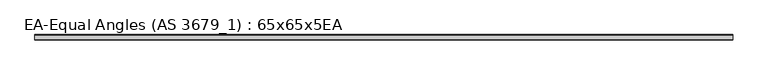
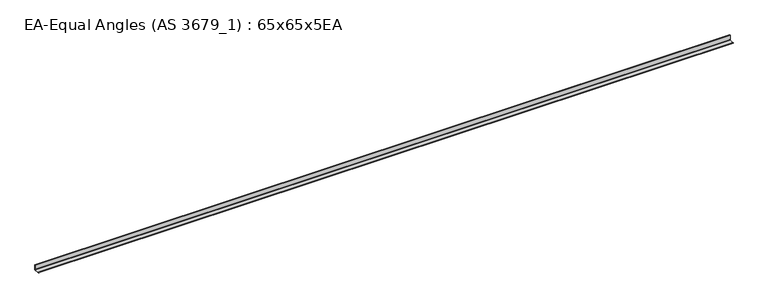
"""IFC4 building model written with IfcOpenShell, lengths in millimetres: beam geometry, EA-Equal Angles (AS 3679_1) : 65x65x5EA."""

from ifc_helpers import new_model, si_unit, point, frame, frame_2d, origin, place, context, project, spatial, polyline, circle_curve, trimmed, segment, composite_curve, outline, extrude, source, transform, mapped, element, save


def ea_equal_angles_as_3679_1_65x65x5ea_a92eaa41(model_context):
    return source(origin(), model_context, "Body", "SweptSolid", [
        extrude(outline(composite_curve([segment(polyline([(17.7, -17.7), (-47.3, -17.7), (-47.3, -15.7)]), True, "CONTINUOUS"), segment(trimmed(circle_curve(frame_2d((-44.3, -15.7)), 3.0), [point((-47.3, -15.7))], [point((-44.3, -12.7))], False, "CARTESIAN"), True, "CONTINUOUS"), segment(polyline([(-44.3, -12.7), (6.7, -12.7)]), True, "CONTINUOUS"), segment(trimmed(circle_curve(frame_2d((6.7, -6.7)), 6.0), [point((6.7, -12.7))], [point((12.7, -6.7))], True, "CARTESIAN"), True, "CONTINUOUS"), segment(polyline([(12.7, -6.7), (12.7, 44.3)]), True, "CONTINUOUS"), segment(trimmed(circle_curve(frame_2d((15.7, 44.3)), 3.0), [point((12.7, 44.3))], [point((15.7, 47.3))], False, "CARTESIAN"), True, "CONTINUOUS"), segment(polyline([(15.7, 47.3), (17.7, 47.3), (17.7, -17.7)]), True, "CONTINUOUS")], self_intersect=False)), frame((-4090.1, 0.0, 0.0), z_axis=(1.0, 0.0, 0.0), x_axis=(0.0, 1.0, 0.0)), (0.0, 0.0, 1.0), 8166.2),
    ])


if __name__ == "__main__":
    model = new_model("IFC4")
    model_context = context("Model", 3, world=origin())
    ifc_project = project(units=[si_unit("LENGTHUNIT", "METRE", prefix="MILLI")], contexts=[model_context])
    site = spatial("IfcSite", under=ifc_project)
    building = spatial("IfcBuilding", under=site)
    placement = place(None, origin())
    ea_equal_angles_as_3679_1_65x65x5ea_shape = ea_equal_angles_as_3679_1_65x65x5ea_a92eaa41(model_context)
    element("IfcBeam", 1, ObjectType="EA-Equal Angles (AS 3679_1) : 65x65x5EA", at=placement, inside=building, context=model_context, shape_type="MappedRepresentation", body=[
        mapped(ea_equal_angles_as_3679_1_65x65x5ea_shape, transform((0.0, 0.0, 0.0), x_axis=(1.0, 0.0, 0.0), y_axis=(0.0, 1.0, 0.0), z_axis=(0.0, 0.0, 1.0))),
    ])
    save(model, "model.ifc")
